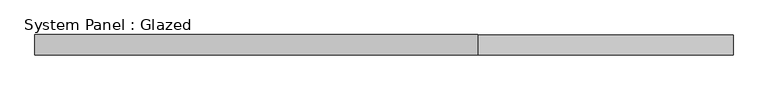
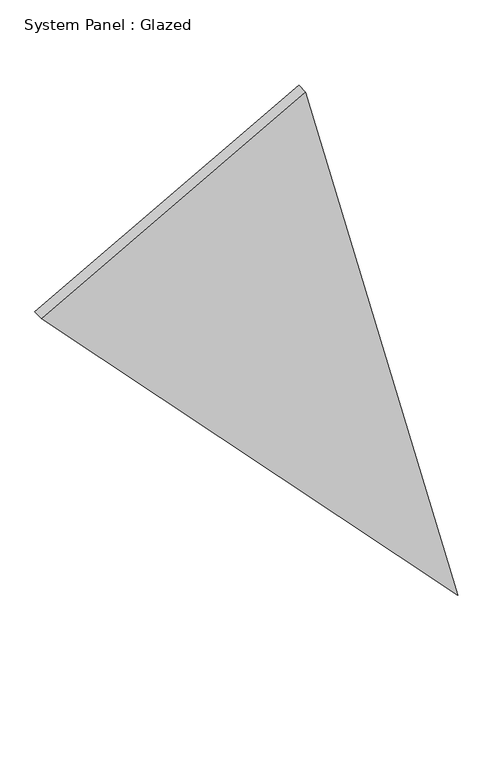
"""IFC4 building model written with IfcOpenShell, lengths in millimetres: plate geometry, System Panel : Glazed."""

import ifcopenshell
import ifcopenshell.guid

model = None  # the IFC model being written
_history = None  # IfcOwnerHistory: only IFC2X3 demands one
_inside = {}  # id of a spatial element -> (the spatial element, [elements in it])
_under = {}  # id of a project, library or spatial element -> (it, [spatial elements below it])
_declared = {}  # id of a project -> (the project, [libraries it declares])
_typed = {}  # id of a type object -> (the type object, [elements of that type])
_made_of = {}  # id of a material, layer set ... -> (it, [elements and type objects made of it])


def new_model(schema):
    """Start an empty IFC model of exactly this schema.

    Asked for "IFC4X3", IfcOpenShell would pick the latest addendum, in which some entities
    have other attributes; the version numbers below select the first issue.
    IFC2X3 requires an IfcOwnerHistory on every rooted entity: one is made here for all.
    """
    global model, _history
    if schema == "IFC4X3":
        model = ifcopenshell.file(schema_version=(4, 3, 0, 0))
    else:
        model = ifcopenshell.file(schema=schema)
    _inside.clear()
    _under.clear()
    _declared.clear()
    _typed.clear()
    _made_of.clear()
    _history = None
    if model.schema == "IFC2X3":
        org = make("IfcOrganization", Name="unknown")
        user = make(
            "IfcPersonAndOrganization",
            ThePerson=make("IfcPerson", FamilyName="unknown"),
            TheOrganization=org,
        )
        app = make(
            "IfcApplication",
            ApplicationDeveloper=org,
            Version="unknown",
            ApplicationFullName="unknown",
            ApplicationIdentifier="unknown",
        )
        _history = make(
            "IfcOwnerHistory",
            OwningUser=user,
            OwningApplication=app,
            ChangeAction="ADDED",
            CreationDate=0,
        )
    return model


def make(cls, **values):
    """One entity of the class cls with the attributes given. An attribute that is None is left unset."""
    return model.create_entity(
        cls, **{name: value for name, value in values.items() if value is not None}
    )


def rooted(cls, **values):
    """An entity with a GlobalId (a new one), such as an element, a storey or a relation."""
    return make(cls, GlobalId=ifcopenshell.guid.new(), OwnerHistory=_history, **values)


def si_unit(unit_type, name, prefix=None):
    """IfcSIUnit, for example si_unit("LENGTHUNIT", "METRE", prefix="MILLI")."""
    return make("IfcSIUnit", UnitType=unit_type, Prefix=prefix, Name=name)


def assignment(units):
    """IfcUnitAssignment: the units of a project."""
    return None if units is None else make("IfcUnitAssignment", Units=units)


def point(xyz):
    """IfcCartesianPoint."""
    return None if xyz is None else make("IfcCartesianPoint", Coordinates=xyz)


def direction(xyz):
    """IfcDirection."""
    return None if xyz is None else make("IfcDirection", DirectionRatios=xyz)


def frame(location, z_axis=None, x_axis=None):
    """IfcAxis2Placement3D, a coordinate frame: its origin and axes. An axis left out is left unset."""
    return make(
        "IfcAxis2Placement3D",
        Location=point(location),
        Axis=direction(z_axis),
        RefDirection=direction(x_axis),
    )


def origin():
    """The frame at (0, 0, 0) with its axes left unset."""
    return frame((0.0, 0.0, 0.0))


def place(relative_to, where):
    """IfcLocalPlacement: puts the frame where relative to a parent placement (None: the world)."""
    return make(
        "IfcLocalPlacement", PlacementRelTo=relative_to, RelativePlacement=where
    )


def context(
    kind, dimensions, precision=None, world=None, true_north=None, identifier=None
):
    """IfcGeometricRepresentationContext, for example the 3D "Model" context."""
    return make(
        "IfcGeometricRepresentationContext",
        ContextIdentifier=identifier,
        ContextType=kind,
        CoordinateSpaceDimension=dimensions,
        Precision=precision,
        WorldCoordinateSystem=world,
        TrueNorth=true_north,
    )


def project(units=None, contexts=None):
    """IfcProject with its units and contexts."""
    return rooted(
        "IfcProject",
        Name="project",
        RepresentationContexts=contexts,
        UnitsInContext=assignment(units),
    )


def spatial(cls, under=None, at=None, **own):
    """A site, building, storey or space (cls), placed at a placement, below another one or the project."""
    s = rooted(cls, ObjectPlacement=at, **own)
    if under is not None:
        _under.setdefault(under.id(), (under, []))[1].append(s)
    return s


def polyline(points):
    """IfcPolyline through the points."""
    return make("IfcPolyline", Points=[point(p) for p in points])


def outline(outer, holes=None, kind="AREA"):
    """IfcArbitraryClosedProfileDef: a profile drawn as a closed curve; with holes, ...WithVoids."""
    if holes is None:
        return make("IfcArbitraryClosedProfileDef", ProfileType=kind, OuterCurve=outer)
    return make(
        "IfcArbitraryProfileDefWithVoids",
        ProfileType=kind,
        OuterCurve=outer,
        InnerCurves=holes,
    )


def extrude(swept, where, along, depth):
    """IfcExtrudedAreaSolid: the profile swept, set in the frame where, extruded along a direction by depth."""
    return make(
        "IfcExtrudedAreaSolid",
        SweptArea=swept,
        Position=where,
        ExtrudedDirection=direction(along),
        Depth=depth,
    )


def shape(context_of_items, identifier, shape_type, items):
    """IfcShapeRepresentation: the items that make up one representation, for example the "Body"."""
    return make(
        "IfcShapeRepresentation",
        ContextOfItems=context_of_items,
        RepresentationIdentifier=identifier,
        RepresentationType=shape_type,
        Items=items,
    )


def source(mapping_origin, context_of_items, identifier, shape_type, items):
    """IfcRepresentationMap: a shape defined once, which mapped items show again and again."""
    return make(
        "IfcRepresentationMap",
        MappingOrigin=mapping_origin,
        MappedRepresentation=shape(context_of_items, identifier, shape_type, items),
    )


def transform(
    local_origin,
    x_axis=None,
    y_axis=None,
    z_axis=None,
    scale=None,
    scale2=None,
    scale3=None,
    uniform=True,
):
    """IfcCartesianTransformationOperator3D, or its non-uniform kind. x_axis, y_axis, z_axis: its Axis1, 2, 3."""
    if uniform:
        return make(
            "IfcCartesianTransformationOperator3D",
            Axis1=direction(x_axis),
            Axis2=direction(y_axis),
            LocalOrigin=point(local_origin),
            Scale=scale,
            Axis3=direction(z_axis),
        )
    return make(
        "IfcCartesianTransformationOperator3DnonUniform",
        Axis1=direction(x_axis),
        Axis2=direction(y_axis),
        LocalOrigin=point(local_origin),
        Scale=scale,
        Axis3=direction(z_axis),
        Scale2=scale2,
        Scale3=scale3,
    )


def mapped(mapping_source, mapping_target):
    """IfcMappedItem: shows the shape of a source again, moved by a transform."""
    return make(
        "IfcMappedItem", MappingSource=mapping_source, MappingTarget=mapping_target
    )


def made_of(thing, what):
    """Note that an element or type object is made of a material, layer set ...; save() writes the relation."""
    if what is not None:
        _made_of.setdefault(what.id(), (what, []))[1].append(thing)
    return thing


def element(
    cls,
    number,
    at=None,
    inside=None,
    cuts=None,
    type_object=None,
    material=None,
    context=None,
    identifier="Body",
    shape_type=None,
    held_by="IfcProductDefinitionShape",
    body=None,
    shapes=None,
    **own,
):
    """One element of the class cls, such as IfcWall. Its Tag is "e" and its number.

    at: its placement. inside: the storey or other place that contains it. cuts: it is an
    opening in that element (IfcRelVoidsElement). A single representation is given by context,
    identifier, shape_type and body (its items); several are given by shapes. held_by: the class
    of the entity that holds the representations. save() writes the other relations.
    """
    e = rooted(cls, Tag="e%d" % number, ObjectPlacement=at, **own)
    if body is not None:
        shapes = [shape(context, identifier, shape_type, body)]
    if shapes is not None:
        e.Representation = make(held_by, Representations=shapes)
    if inside is not None:
        _inside.setdefault(inside.id(), (inside, []))[1].append(e)
    if cuts is not None:
        rooted(
            "IfcRelVoidsElement", RelatingBuildingElement=cuts, RelatedOpeningElement=e
        )
    if type_object is not None:
        _typed.setdefault(type_object.id(), (type_object, []))[1].append(e)
    return made_of(e, material)


def aggregate(whole, parts):
    """IfcRelAggregates: a whole, such as a stair, and the parts it consists of."""
    return rooted("IfcRelAggregates", RelatingObject=whole, RelatedObjects=parts)


def save(model, path):
    """Write the relations noted so far, then the file.

    IfcRelAggregates (storeys below a building ...), IfcRelContainedInSpatialStructure (elements
    in a storey), IfcRelDefinesByType, IfcRelAssociatesMaterial and IfcRelDeclares: one each for
    every whole, place, type object, material and project.
    """
    for whole, parts in _under.values():
        aggregate(whole, parts)
    for where, things in _inside.values():
        rooted(
            "IfcRelContainedInSpatialStructure",
            RelatedElements=things,
            RelatingStructure=where,
        )
    for kind, things in _typed.values():
        rooted("IfcRelDefinesByType", RelatedObjects=things, RelatingType=kind)
    for what, things in _made_of.values():
        rooted("IfcRelAssociatesMaterial", RelatedObjects=things, RelatingMaterial=what)
    for by, libraries in _declared.values():
        rooted("IfcRelDeclares", RelatingContext=by, RelatedDefinitions=libraries)
    model.write(path)


def system_panel_glazed_3e423b19(model_context):
    return source(origin(), model_context, "Body", "SweptSolid", [
        extrude(outline(polyline([(1095.4108706, -520.9325764), (0.0, 520.9325764), (1462.8533232, 139.5297358), (1095.4108706, -520.9325764)])), frame((0.0, -36.8101563, 0.0), z_axis=(0.0, 1.0, 0.0), x_axis=(0.0, 0.0, 1.0)), (0.0, 0.0, 1.0), 30.1625),
    ])


if __name__ == "__main__":
    model = new_model("IFC4")
    model_context = context("Model", 3, world=origin())
    ifc_project = project(units=[si_unit("LENGTHUNIT", "METRE", prefix="MILLI")], contexts=[model_context])
    site = spatial("IfcSite", under=ifc_project)
    building = spatial("IfcBuilding", under=site)
    placement = place(None, origin())
    system_panel_glazed_shape = system_panel_glazed_3e423b19(model_context)
    element("IfcPlate", 1, ObjectType="System Panel : Glazed", at=placement, inside=building, context=model_context, shape_type="MappedRepresentation", body=[
        mapped(system_panel_glazed_shape, transform((0.0, 0.0, 0.0), x_axis=(1.0, 0.0, 0.0), y_axis=(0.0, 1.0, 0.0), z_axis=(0.0, 0.0, 1.0))),
    ])
    save(model, "model.ifc")
